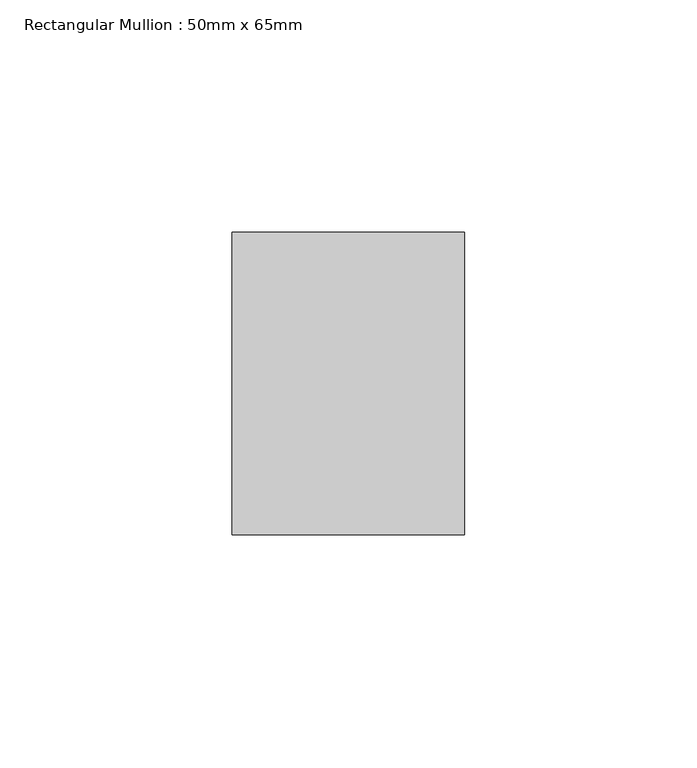
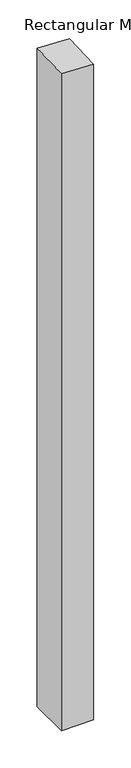
"""IFC4 building model written with IfcOpenShell, lengths in millimetres: member geometry, Rectangular Mullion : 50mm x 65mm."""

from ifc_helpers import new_model, si_unit, origin, place, context, project, spatial, faceted_brep, source, transform, mapped, element, save


def rectangular_mullion_50mm_x_65mm_8ce1569e(model_context):
    return source(origin(), model_context, "Body", "Brep", [
        faceted_brep([(25.0, 32.5, -1073.7084702), (25.0, -32.5, -1073.7084702), (-25.0, -32.5, -1073.7084702), (-25.0, 32.5, -1073.7084702), (-25.0, 32.5, 2.2128707), (25.0, 32.5, 0.1778279), (-25.0, -32.5, -0.1778279), (25.0, -32.5, -2.2128707)], [[[0, 1, 2, 3]], [[4, 5, 0, 3]], [[6, 4, 3, 2]], [[7, 6, 2, 1]], [[5, 7, 1, 0]], [[5, 4, 6, 7]]]),
    ])


if __name__ == "__main__":
    model = new_model("IFC4")
    model_context = context("Model", 3, world=origin())
    ifc_project = project(units=[si_unit("LENGTHUNIT", "METRE", prefix="MILLI")], contexts=[model_context])
    site = spatial("IfcSite", under=ifc_project)
    building = spatial("IfcBuilding", under=site)
    placement = place(None, origin())
    rectangular_mullion_50mm_x_65mm_shape = rectangular_mullion_50mm_x_65mm_8ce1569e(model_context)
    element("IfcMember", 1, ObjectType="Rectangular Mullion : 50mm x 65mm", at=placement, inside=building, context=model_context, shape_type="MappedRepresentation", body=[
        mapped(rectangular_mullion_50mm_x_65mm_shape, transform((0.0, 0.0, 0.0), x_axis=(1.0, 0.0, 0.0), y_axis=(0.0, 1.0, 0.0), z_axis=(0.0, 0.0, 1.0))),
    ])
    save(model, "model.ifc")
